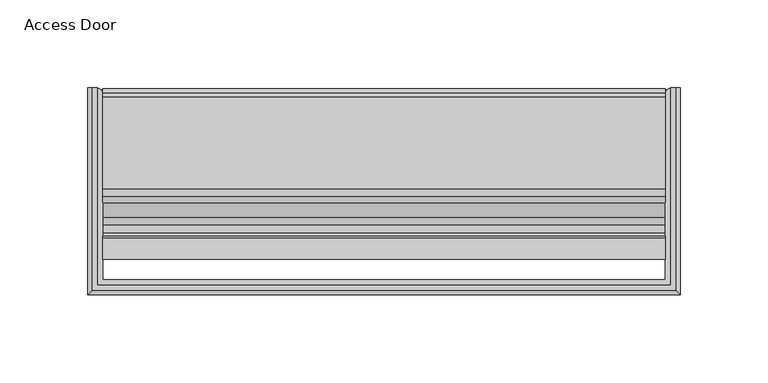
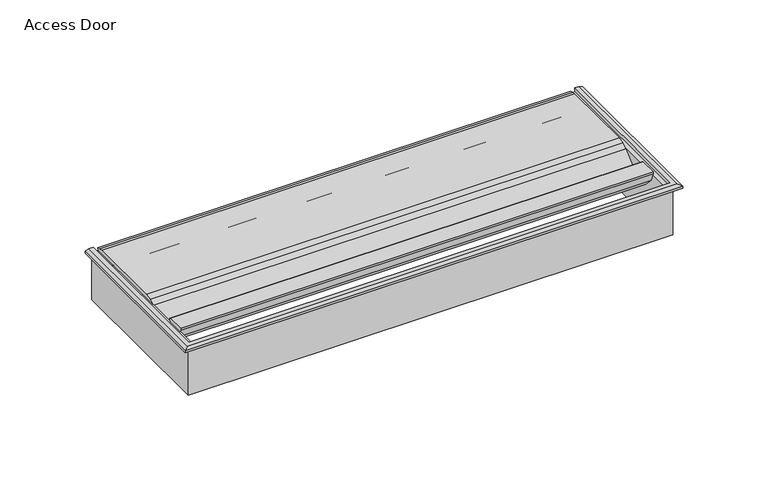
"""IFC4 building model written with IfcOpenShell, lengths in millimetres: furniture geometry, Access Door."""

from ifc_helpers import new_model, si_unit, frame, origin, place, context, project, spatial, polyline, outline, extrude, faceted_brep, source, transform, mapped, element, save


def access_door_ffcf63bd(model_context):
    return source(origin(), model_context, "Body", "SolidModel", [
        faceted_brep([(-162.9150013, 113.1099985, 736.6), (-168.2549915, 113.1099985, 736.6), (-168.2549915, 113.1099985, 738.1), (-165.7549988, 113.1099985, 739.1000001), (-162.9150013, 113.1099985, 739.1000001), (-162.9150013, 0.9999902, 736.6), (162.9150013, 0.9999902, 736.6), (162.9150013, 113.1099985, 736.6), (168.2549915, 113.1099985, 736.6), (168.2549915, -4.34, 736.6), (-168.2549915, -4.34, 736.6), (-168.2549915, -4.34, 738.1), (162.9150013, 113.1099985, 739.1000001), (162.9150013, 0.9999902, 739.1000001), (-162.9150013, 0.9999902, 739.1000001), (-165.7549988, -1.8400072, 739.1000001), (165.7549988, -1.8400072, 739.1000001), (165.7549988, 113.1099985, 739.1000001), (168.2549915, -4.34, 738.1), (168.2549915, 113.1099985, 738.1)], [[[0, 1, 2, 3, 4]], [[1, 0, 5, 6, 7, 8, 9, 10]], [[1, 10, 11, 2]], [[12, 13, 14, 4, 3, 15, 16, 17]], [[0, 4, 14, 5]], [[10, 9, 18, 11]], [[6, 5, 14, 13]], [[8, 7, 12, 17, 19]], [[9, 8, 19, 18]], [[7, 6, 13, 12]], [[11, 15, 3, 2]], [[15, 11, 18, 16]], [[16, 18, 19, 17]]]),
        extrude(outline(polyline([(84.5248156, 734.1653532), (78.9838657, 736.0732564), (55.8499716, 736.0732564), (52.6634746, 735.4993411), (49.8774573, 733.8497244), (41.5120068, 726.6186654), (33.1510732, 723.0548454), (24.2750616, 725.0099553), (18.1852523, 731.756825), (15.8948137, 737.7520761), (15.7343675, 739.0556459), (27.9363616, 739.058069), (28.8089169, 738.5345147), (28.7710785, 737.5176423), (27.9955331, 736.3102665), (26.2688375, 732.3813806), (25.8391558, 728.1113693), (26.3855069, 727.2759473), (30.8730441, 726.0239184), (35.4974121, 726.5902855), (39.5501626, 728.8882813), (47.9156085, 736.1193404), (51.616777, 738.3108219), (55.8499716, 739.0732564), (108.0794008, 739.0732564), (110.3674424, 738.8079815), (112.6796028, 737.9737312), (112.5583788, 736.0732564), (100.8853904, 736.0732564), (98.9943539, 734.7243927), (99.6540702, 732.497235), (102.6759243, 730.1362997), (104.0583253, 728.0868057), (103.9720479, 725.6161762), (102.4500569, 723.6681063), (100.0736848, 722.9866935), (97.7506344, 723.8322133), (84.5248156, 734.1653532)])), frame((-159.9150028, 0.0, 0.0), z_axis=(1.0, 0.0, 0.0), x_axis=(0.0, 1.0, 0.0)), (0.0, 0.0, 1.0), 319.8300056),
        extrude(outline(polyline([(-163.9149948, -3.3e-06), (-163.9149948, 113.1099985), (-162.9150013, 113.1099985), (-160.7936737, 112.2313185), (-159.9150028, 110.1099999), (-159.9150028, 3.9999967), (159.9150028, 3.9999967), (159.9150028, 110.1099999), (160.7936737, 112.2313185), (162.9150013, 113.1099985), (163.9149948, 113.1099985), (163.9149948, -3.3e-06), (-163.9149948, -3.3e-06)])), frame((0.0, 0.0, 702.1000006), z_axis=(0.0, 0.0, 1.0), x_axis=(1.0, 0.0, 0.0)), (0.0, 0.0, 1.0), 34.4999994),
    ])


if __name__ == "__main__":
    model = new_model("IFC4")
    model_context = context("Model", 3, world=origin())
    ifc_project = project(units=[si_unit("LENGTHUNIT", "METRE", prefix="MILLI")], contexts=[model_context])
    site = spatial("IfcSite", under=ifc_project)
    building = spatial("IfcBuilding", under=site)
    placement = place(None, origin())
    access_door_shape = access_door_ffcf63bd(model_context)
    element("IfcFurniture", 1, ObjectType="Access Door", at=placement, inside=building, context=model_context, shape_type="MappedRepresentation", body=[
        mapped(access_door_shape, transform((0.0, 0.0, 0.0), x_axis=(1.0, 0.0, 0.0), y_axis=(0.0, 1.0, 0.0), z_axis=(0.0, 0.0, 1.0))),
    ])
    save(model, "model.ifc")
